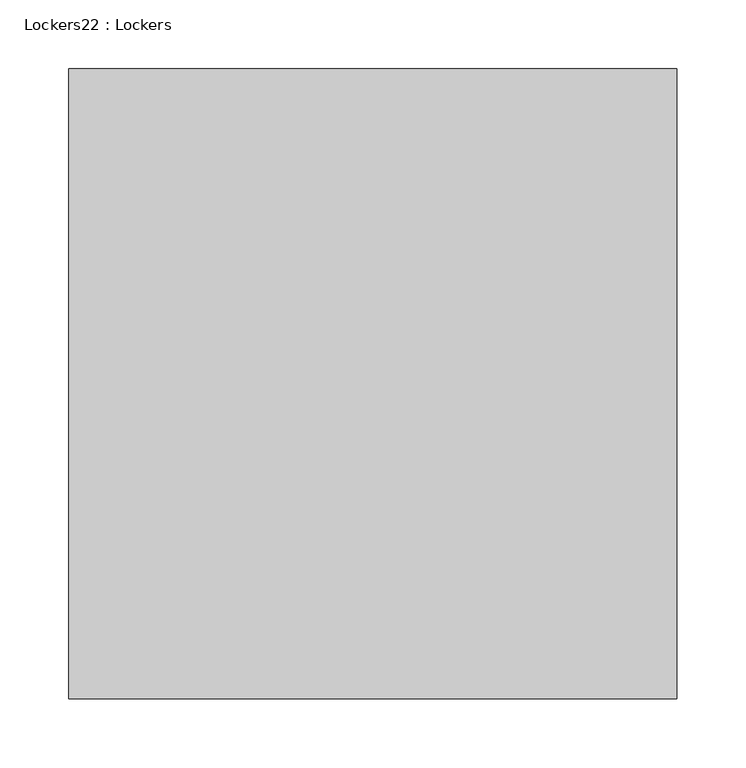
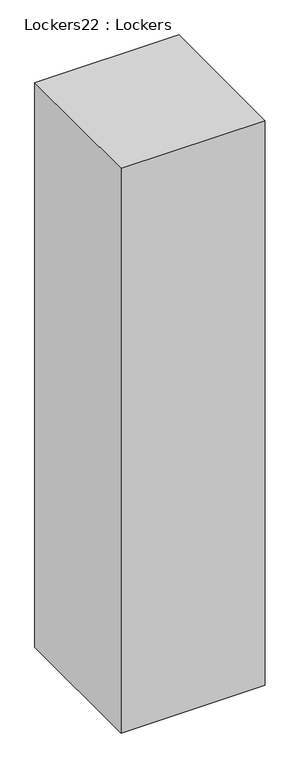
"""IFC4 building model written with IfcOpenShell, lengths in millimetres: furniture geometry, Lockers22 : Lockers."""

from ifc_helpers import new_model, si_unit, origin, origin_with_axes, place, context, project, spatial, polyline, outline, extrude, source, transform, mapped, element, save


def lockers22_lockers_143e3989(model_context):
    return source(origin(), model_context, "Body", "SweptSolid", [
        extrude(outline(polyline([(-451635.2902128, -61628.1068258), (-451635.2902128, -62085.3068258), (-452076.6152128, -62085.3068258), (-452076.6152128, -61628.1068258), (-451635.2902128, -61628.1068258)])), origin_with_axes(), (0.0, 0.0, 1.0), 1828.8),
    ])


if __name__ == "__main__":
    model = new_model("IFC4")
    model_context = context("Model", 3, world=origin())
    ifc_project = project(units=[si_unit("LENGTHUNIT", "METRE", prefix="MILLI")], contexts=[model_context])
    site = spatial("IfcSite", under=ifc_project)
    building = spatial("IfcBuilding", under=site)
    placement = place(None, origin())
    lockers22_lockers_shape = lockers22_lockers_143e3989(model_context)
    element("IfcFurniture", 1, ObjectType="Lockers22 : Lockers", at=placement, inside=building, context=model_context, shape_type="MappedRepresentation", body=[
        mapped(lockers22_lockers_shape, transform((0.0, 0.0, 0.0), x_axis=(1.0, 0.0, 0.0), y_axis=(0.0, 1.0, 0.0), z_axis=(0.0, 0.0, 1.0))),
    ])
    save(model, "model.ifc")
